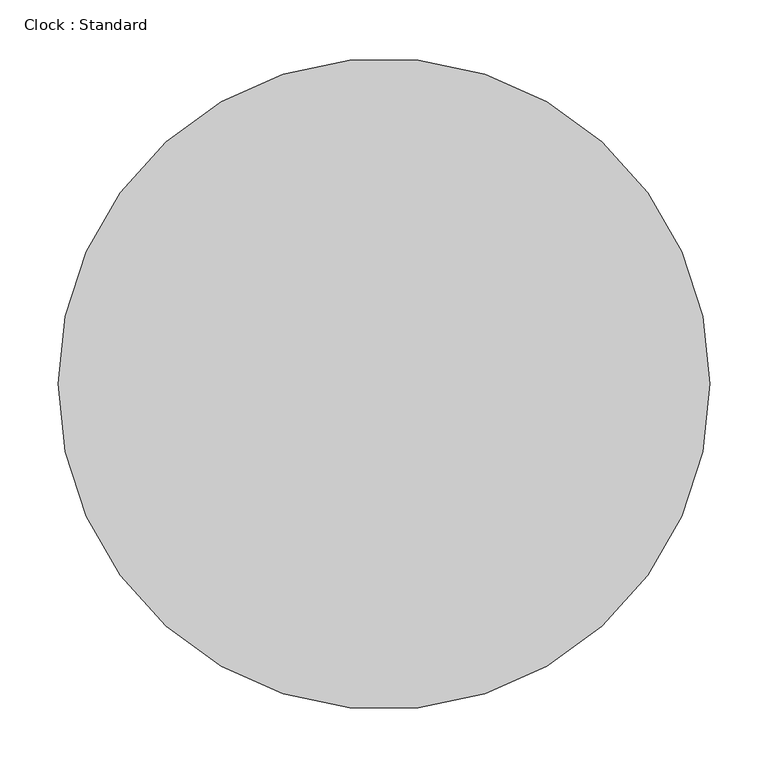
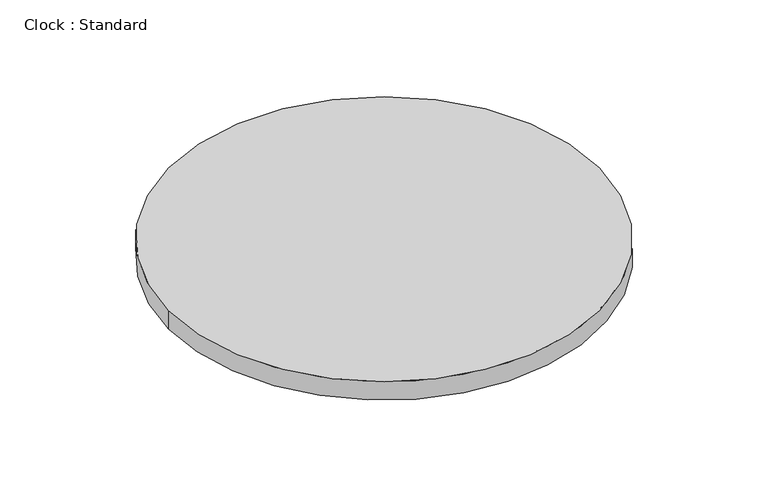
"""IFC4 building model written with IfcOpenShell, lengths in millimetres: proxy geometry, Clock : Standard."""

from ifc_helpers import new_model, si_unit, point, origin, origin_with_axes, origin_2d, place, context, project, spatial, circle_curve, trimmed, segment, composite_curve, outline, extrude, source, transform, mapped, element, save


def clock_standard_be3b7437(model_context):
    return source(origin(), model_context, "Body", "SweptSolid", [
        extrude(outline(composite_curve([segment(trimmed(circle_curve(origin_2d(), 279.4), [point((-279.4, 0.0))], [point((279.4, 0.0))], False, "CARTESIAN"), True, "CONTINUOUS"), segment(trimmed(circle_curve(origin_2d(), 279.4), [point((279.4, 0.0))], [point((-279.4, 0.0))], False, "CARTESIAN"), True, "CONTINUOUS")], self_intersect=False)), origin_with_axes(), (0.0, 0.0, 1.0), 25.4),
    ])


if __name__ == "__main__":
    model = new_model("IFC4")
    model_context = context("Model", 3, world=origin())
    ifc_project = project(units=[si_unit("LENGTHUNIT", "METRE", prefix="MILLI")], contexts=[model_context])
    site = spatial("IfcSite", under=ifc_project)
    building = spatial("IfcBuilding", under=site)
    placement = place(None, origin())
    clock_standard_shape = clock_standard_be3b7437(model_context)
    element("IfcBuildingElementProxy", 1, Name="Clock : Standard", ObjectType="Clock : Standard", at=placement, inside=building, context=model_context, shape_type="MappedRepresentation", body=[
        mapped(clock_standard_shape, transform((0.0, 0.0, 0.0), x_axis=(1.0, 0.0, 0.0), y_axis=(0.0, 1.0, 0.0), z_axis=(0.0, 0.0, 1.0))),
    ])
    save(model, "model.ifc")
